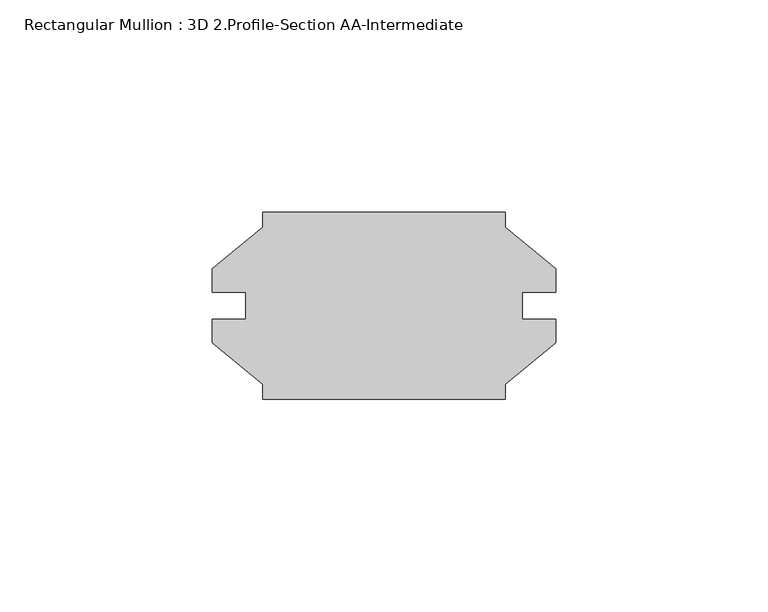
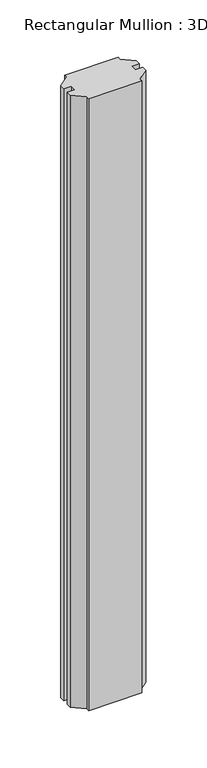
"""IFC4 building model written with IfcOpenShell, lengths in millimetres: member geometry, Rectangular Mullion : 3D 2.Profile-Section AA-Intermediate."""

import ifcopenshell
import ifcopenshell.guid

model = None  # the IFC model being written
_history = None  # IfcOwnerHistory: only IFC2X3 demands one
_inside = {}  # id of a spatial element -> (the spatial element, [elements in it])
_under = {}  # id of a project, library or spatial element -> (it, [spatial elements below it])
_declared = {}  # id of a project -> (the project, [libraries it declares])
_typed = {}  # id of a type object -> (the type object, [elements of that type])
_made_of = {}  # id of a material, layer set ... -> (it, [elements and type objects made of it])


def new_model(schema):
    """Start an empty IFC model of exactly this schema.

    Asked for "IFC4X3", IfcOpenShell would pick the latest addendum, in which some entities
    have other attributes; the version numbers below select the first issue.
    IFC2X3 requires an IfcOwnerHistory on every rooted entity: one is made here for all.
    """
    global model, _history
    if schema == "IFC4X3":
        model = ifcopenshell.file(schema_version=(4, 3, 0, 0))
    else:
        model = ifcopenshell.file(schema=schema)
    _inside.clear()
    _under.clear()
    _declared.clear()
    _typed.clear()
    _made_of.clear()
    _history = None
    if model.schema == "IFC2X3":
        org = make("IfcOrganization", Name="unknown")
        user = make(
            "IfcPersonAndOrganization",
            ThePerson=make("IfcPerson", FamilyName="unknown"),
            TheOrganization=org,
        )
        app = make(
            "IfcApplication",
            ApplicationDeveloper=org,
            Version="unknown",
            ApplicationFullName="unknown",
            ApplicationIdentifier="unknown",
        )
        _history = make(
            "IfcOwnerHistory",
            OwningUser=user,
            OwningApplication=app,
            ChangeAction="ADDED",
            CreationDate=0,
        )
    return model


def make(cls, **values):
    """One entity of the class cls with the attributes given. An attribute that is None is left unset."""
    return model.create_entity(
        cls, **{name: value for name, value in values.items() if value is not None}
    )


def rooted(cls, **values):
    """An entity with a GlobalId (a new one), such as an element, a storey or a relation."""
    return make(cls, GlobalId=ifcopenshell.guid.new(), OwnerHistory=_history, **values)


def si_unit(unit_type, name, prefix=None):
    """IfcSIUnit, for example si_unit("LENGTHUNIT", "METRE", prefix="MILLI")."""
    return make("IfcSIUnit", UnitType=unit_type, Prefix=prefix, Name=name)


def assignment(units):
    """IfcUnitAssignment: the units of a project."""
    return None if units is None else make("IfcUnitAssignment", Units=units)


def point(xyz):
    """IfcCartesianPoint."""
    return None if xyz is None else make("IfcCartesianPoint", Coordinates=xyz)


def direction(xyz):
    """IfcDirection."""
    return None if xyz is None else make("IfcDirection", DirectionRatios=xyz)


def frame(location, z_axis=None, x_axis=None):
    """IfcAxis2Placement3D, a coordinate frame: its origin and axes. An axis left out is left unset."""
    return make(
        "IfcAxis2Placement3D",
        Location=point(location),
        Axis=direction(z_axis),
        RefDirection=direction(x_axis),
    )


def origin():
    """The frame at (0, 0, 0) with its axes left unset."""
    return frame((0.0, 0.0, 0.0))


def place(relative_to, where):
    """IfcLocalPlacement: puts the frame where relative to a parent placement (None: the world)."""
    return make(
        "IfcLocalPlacement", PlacementRelTo=relative_to, RelativePlacement=where
    )


def context(
    kind, dimensions, precision=None, world=None, true_north=None, identifier=None
):
    """IfcGeometricRepresentationContext, for example the 3D "Model" context."""
    return make(
        "IfcGeometricRepresentationContext",
        ContextIdentifier=identifier,
        ContextType=kind,
        CoordinateSpaceDimension=dimensions,
        Precision=precision,
        WorldCoordinateSystem=world,
        TrueNorth=true_north,
    )


def project(units=None, contexts=None):
    """IfcProject with its units and contexts."""
    return rooted(
        "IfcProject",
        Name="project",
        RepresentationContexts=contexts,
        UnitsInContext=assignment(units),
    )


def spatial(cls, under=None, at=None, **own):
    """A site, building, storey or space (cls), placed at a placement, below another one or the project."""
    s = rooted(cls, ObjectPlacement=at, **own)
    if under is not None:
        _under.setdefault(under.id(), (under, []))[1].append(s)
    return s


def polyline(points):
    """IfcPolyline through the points."""
    return make("IfcPolyline", Points=[point(p) for p in points])


def outline(outer, holes=None, kind="AREA"):
    """IfcArbitraryClosedProfileDef: a profile drawn as a closed curve; with holes, ...WithVoids."""
    if holes is None:
        return make("IfcArbitraryClosedProfileDef", ProfileType=kind, OuterCurve=outer)
    return make(
        "IfcArbitraryProfileDefWithVoids",
        ProfileType=kind,
        OuterCurve=outer,
        InnerCurves=holes,
    )


def extrude(swept, where, along, depth):
    """IfcExtrudedAreaSolid: the profile swept, set in the frame where, extruded along a direction by depth."""
    return make(
        "IfcExtrudedAreaSolid",
        SweptArea=swept,
        Position=where,
        ExtrudedDirection=direction(along),
        Depth=depth,
    )


def shape(context_of_items, identifier, shape_type, items):
    """IfcShapeRepresentation: the items that make up one representation, for example the "Body"."""
    return make(
        "IfcShapeRepresentation",
        ContextOfItems=context_of_items,
        RepresentationIdentifier=identifier,
        RepresentationType=shape_type,
        Items=items,
    )


def source(mapping_origin, context_of_items, identifier, shape_type, items):
    """IfcRepresentationMap: a shape defined once, which mapped items show again and again."""
    return make(
        "IfcRepresentationMap",
        MappingOrigin=mapping_origin,
        MappedRepresentation=shape(context_of_items, identifier, shape_type, items),
    )


def transform(
    local_origin,
    x_axis=None,
    y_axis=None,
    z_axis=None,
    scale=None,
    scale2=None,
    scale3=None,
    uniform=True,
):
    """IfcCartesianTransformationOperator3D, or its non-uniform kind. x_axis, y_axis, z_axis: its Axis1, 2, 3."""
    if uniform:
        return make(
            "IfcCartesianTransformationOperator3D",
            Axis1=direction(x_axis),
            Axis2=direction(y_axis),
            LocalOrigin=point(local_origin),
            Scale=scale,
            Axis3=direction(z_axis),
        )
    return make(
        "IfcCartesianTransformationOperator3DnonUniform",
        Axis1=direction(x_axis),
        Axis2=direction(y_axis),
        LocalOrigin=point(local_origin),
        Scale=scale,
        Axis3=direction(z_axis),
        Scale2=scale2,
        Scale3=scale3,
    )


def mapped(mapping_source, mapping_target):
    """IfcMappedItem: shows the shape of a source again, moved by a transform."""
    return make(
        "IfcMappedItem", MappingSource=mapping_source, MappingTarget=mapping_target
    )


def made_of(thing, what):
    """Note that an element or type object is made of a material, layer set ...; save() writes the relation."""
    if what is not None:
        _made_of.setdefault(what.id(), (what, []))[1].append(thing)
    return thing


def element(
    cls,
    number,
    at=None,
    inside=None,
    cuts=None,
    type_object=None,
    material=None,
    context=None,
    identifier="Body",
    shape_type=None,
    held_by="IfcProductDefinitionShape",
    body=None,
    shapes=None,
    **own,
):
    """One element of the class cls, such as IfcWall. Its Tag is "e" and its number.

    at: its placement. inside: the storey or other place that contains it. cuts: it is an
    opening in that element (IfcRelVoidsElement). A single representation is given by context,
    identifier, shape_type and body (its items); several are given by shapes. held_by: the class
    of the entity that holds the representations. save() writes the other relations.
    """
    e = rooted(cls, Tag="e%d" % number, ObjectPlacement=at, **own)
    if body is not None:
        shapes = [shape(context, identifier, shape_type, body)]
    if shapes is not None:
        e.Representation = make(held_by, Representations=shapes)
    if inside is not None:
        _inside.setdefault(inside.id(), (inside, []))[1].append(e)
    if cuts is not None:
        rooted(
            "IfcRelVoidsElement", RelatingBuildingElement=cuts, RelatedOpeningElement=e
        )
    if type_object is not None:
        _typed.setdefault(type_object.id(), (type_object, []))[1].append(e)
    return made_of(e, material)


def aggregate(whole, parts):
    """IfcRelAggregates: a whole, such as a stair, and the parts it consists of."""
    return rooted("IfcRelAggregates", RelatingObject=whole, RelatedObjects=parts)


def save(model, path):
    """Write the relations noted so far, then the file.

    IfcRelAggregates (storeys below a building ...), IfcRelContainedInSpatialStructure (elements
    in a storey), IfcRelDefinesByType, IfcRelAssociatesMaterial and IfcRelDeclares: one each for
    every whole, place, type object, material and project.
    """
    for whole, parts in _under.values():
        aggregate(whole, parts)
    for where, things in _inside.values():
        rooted(
            "IfcRelContainedInSpatialStructure",
            RelatedElements=things,
            RelatingStructure=where,
        )
    for kind, things in _typed.values():
        rooted("IfcRelDefinesByType", RelatedObjects=things, RelatingType=kind)
    for what, things in _made_of.values():
        rooted("IfcRelAssociatesMaterial", RelatedObjects=things, RelatingMaterial=what)
    for by, libraries in _declared.values():
        rooted("IfcRelDeclares", RelatingContext=by, RelatedDefinitions=libraries)
    model.write(path)


def rectangular_mullion_3d_2_profile_section_aa_intermediate_1e2ec202(model_context):
    return source(origin(), model_context, "Body", "SweptSolid", [
        extrude(outline(polyline([(-28.575, -22.0345), (-28.575, -18.518836), (-40.48125, -8.7503), (-40.48125, -3.175), (-32.5374, -3.175), (-32.5374, 3.175), (-40.48125, 3.175), (-40.48125, 8.7503), (-28.575, 18.518836), (-28.575, 22.0345), (28.575, 22.0345), (28.575, 18.518836), (40.48125, 8.7503), (40.48125, 3.175), (32.5374, 3.175), (32.5374, -3.175), (40.48125, -3.175), (40.48125, -8.7503), (28.575, -18.518836), (28.575, -22.0345), (-28.575, -22.0345)])), frame((0.0, 0.0, -694.7446574), z_axis=(0.0, 0.0, 1.0), x_axis=(1.0, 0.0, 0.0)), (0.0, 0.0, 1.0), 694.7446574),
    ])


if __name__ == "__main__":
    model = new_model("IFC4")
    model_context = context("Model", 3, world=origin())
    ifc_project = project(units=[si_unit("LENGTHUNIT", "METRE", prefix="MILLI")], contexts=[model_context])
    site = spatial("IfcSite", under=ifc_project)
    building = spatial("IfcBuilding", under=site)
    placement = place(None, origin())
    rectangular_mullion_3d_2_profile_section_aa_intermediate_shape = rectangular_mullion_3d_2_profile_section_aa_intermediate_1e2ec202(model_context)
    element("IfcMember", 1, ObjectType="Rectangular Mullion : 3D 2.Profile-Section AA-Intermediate", at=placement, inside=building, context=model_context, shape_type="MappedRepresentation", body=[
        mapped(rectangular_mullion_3d_2_profile_section_aa_intermediate_shape, transform((0.0, 0.0, 0.0), x_axis=(1.0, 0.0, 0.0), y_axis=(0.0, 1.0, 0.0), z_axis=(0.0, 0.0, 1.0))),
    ])
    save(model, "model.ifc")
